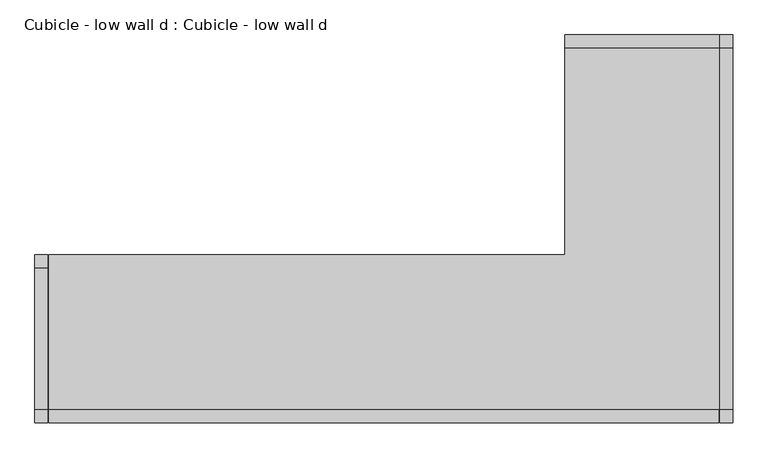
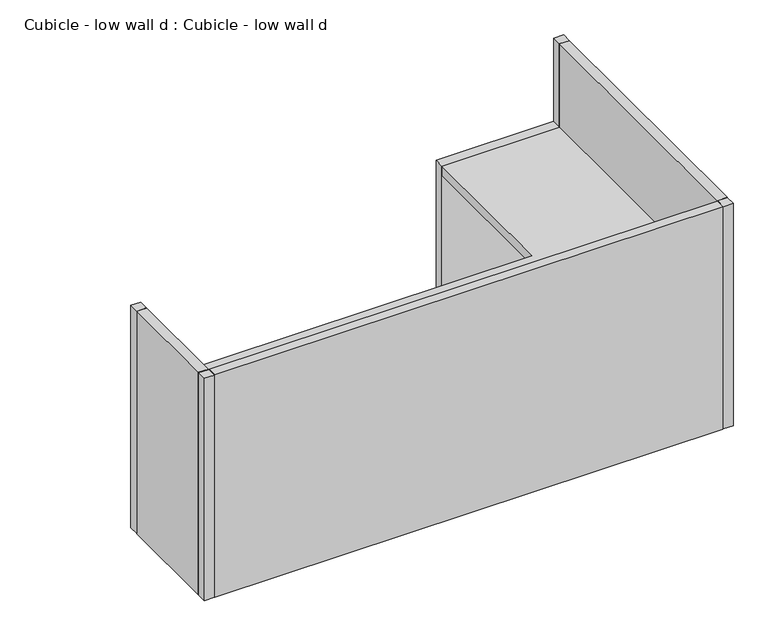
"""IFC4 building model written with IfcOpenShell, lengths in millimetres: furniture geometry, Cubicle - low wall d : Cubicle - low wall d."""

from ifc_helpers import new_model, si_unit, frame, origin, origin_with_axes, place, context, project, spatial, polyline, outline, extrude, source, transform, mapped, element, save


def cubicle_low_wall_d_cubicle_low_wall_d_2ec98d94(model_context):
    return source(origin(), model_context, "Body", "SweptSolid", [
        extrude(outline(polyline([(-660.4, 1524.0), (-50.8, 1524.0), (-50.8, 1473.2), (-660.4, 1473.2), (-660.4, 1524.0)])), origin_with_axes(), (0.0, 0.0, 1.0), 762.0),
        extrude(outline(polyline([(-2743.2, 660.4), (-2692.4, 660.4), (-2692.4, 609.6), (-2743.2, 609.6), (-2743.2, 660.4)])), origin_with_axes(), (0.0, 0.0, 1.0), 1219.2),
        extrude(outline(polyline([(-2743.2, 50.8), (-2692.4, 50.8), (-2692.4, 0.0), (-2743.2, 0.0), (-2743.2, 50.8)])), origin_with_axes(), (0.0, 0.0, 1.0), 1219.2),
        extrude(outline(polyline([(-50.8, 50.8), (0.0, 50.8), (0.0, 0.0), (-50.8, 0.0), (-50.8, 50.8)])), origin_with_axes(), (0.0, 0.0, 1.0), 1219.2),
        extrude(outline(polyline([(-50.8, 1524.0), (0.0, 1524.0), (0.0, 1473.2), (-50.8, 1473.2), (-50.8, 1524.0)])), origin_with_axes(), (0.0, 0.0, 1.0), 1219.2),
        extrude(outline(polyline([(-2689.225, 660.4), (-660.4, 660.4), (-660.4, 1473.2), (-50.8, 1473.2), (-50.8, 50.8), (-2689.225, 50.8), (-2689.225, 660.4)])), frame((0.0, 0.0, 711.2), z_axis=(0.0, 0.0, 1.0), x_axis=(1.0, 0.0, 0.0)), (0.0, 0.0, 1.0), 50.8),
        extrude(outline(polyline([(-2689.225, 0.0), (-2689.225, 50.8), (-53.975, 50.8), (-53.975, 0.0), (-2689.225, 0.0)])), origin_with_axes(), (0.0, 0.0, 1.0), 1219.2),
        extrude(outline(polyline([(0.0, 53.975), (-50.8, 53.975), (-50.8, 1473.2), (0.0, 1473.2), (0.0, 53.975)])), origin_with_axes(), (0.0, 0.0, 1.0), 1219.2),
        extrude(outline(polyline([(-2743.2, 53.975), (-2743.2, 606.425), (-2692.4, 606.425), (-2692.4, 53.975), (-2743.2, 53.975)])), origin_with_axes(), (0.0, 0.0, 1.0), 1219.2),
    ])


if __name__ == "__main__":
    model = new_model("IFC4")
    model_context = context("Model", 3, world=origin())
    ifc_project = project(units=[si_unit("LENGTHUNIT", "METRE", prefix="MILLI")], contexts=[model_context])
    site = spatial("IfcSite", under=ifc_project)
    building = spatial("IfcBuilding", under=site)
    placement = place(None, origin())
    cubicle_low_wall_d_cubicle_low_wall_d_shape = cubicle_low_wall_d_cubicle_low_wall_d_2ec98d94(model_context)
    element("IfcFurniture", 1, ObjectType="Cubicle - low wall d : Cubicle - low wall d", at=placement, inside=building, context=model_context, shape_type="MappedRepresentation", body=[
        mapped(cubicle_low_wall_d_cubicle_low_wall_d_shape, transform((0.0, 0.0, 0.0), x_axis=(1.0, 0.0, 0.0), y_axis=(0.0, 1.0, 0.0), z_axis=(0.0, 0.0, 1.0))),
    ])
    save(model, "model.ifc")
